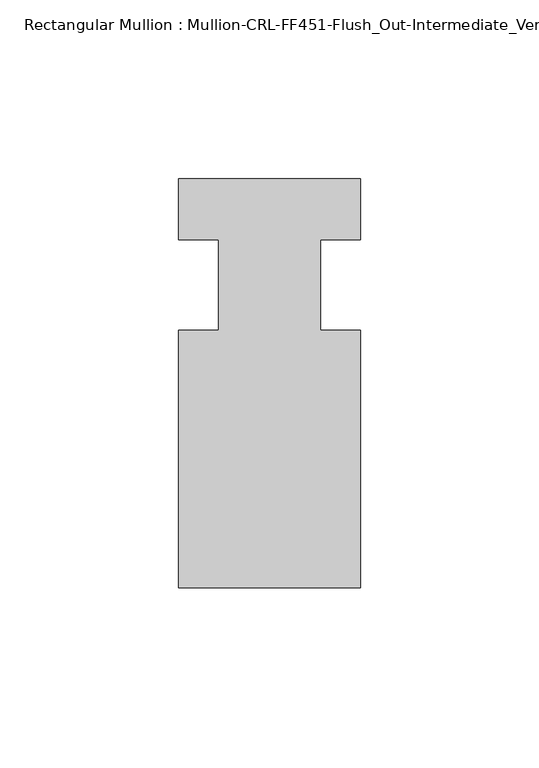
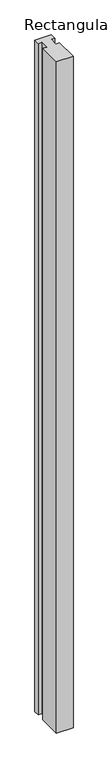
"""IFC4 building model written with IfcOpenShell, lengths in millimetres: member geometry, Rectangular Mullion : Mullion-CRL-FF451-Flush_Out-Intermediate_Vertical."""

import ifcopenshell
import ifcopenshell.guid

model = None  # the IFC model being written
_history = None  # IfcOwnerHistory: only IFC2X3 demands one
_inside = {}  # id of a spatial element -> (the spatial element, [elements in it])
_under = {}  # id of a project, library or spatial element -> (it, [spatial elements below it])
_declared = {}  # id of a project -> (the project, [libraries it declares])
_typed = {}  # id of a type object -> (the type object, [elements of that type])
_made_of = {}  # id of a material, layer set ... -> (it, [elements and type objects made of it])


def new_model(schema):
    """Start an empty IFC model of exactly this schema.

    Asked for "IFC4X3", IfcOpenShell would pick the latest addendum, in which some entities
    have other attributes; the version numbers below select the first issue.
    IFC2X3 requires an IfcOwnerHistory on every rooted entity: one is made here for all.
    """
    global model, _history
    if schema == "IFC4X3":
        model = ifcopenshell.file(schema_version=(4, 3, 0, 0))
    else:
        model = ifcopenshell.file(schema=schema)
    _inside.clear()
    _under.clear()
    _declared.clear()
    _typed.clear()
    _made_of.clear()
    _history = None
    if model.schema == "IFC2X3":
        org = make("IfcOrganization", Name="unknown")
        user = make(
            "IfcPersonAndOrganization",
            ThePerson=make("IfcPerson", FamilyName="unknown"),
            TheOrganization=org,
        )
        app = make(
            "IfcApplication",
            ApplicationDeveloper=org,
            Version="unknown",
            ApplicationFullName="unknown",
            ApplicationIdentifier="unknown",
        )
        _history = make(
            "IfcOwnerHistory",
            OwningUser=user,
            OwningApplication=app,
            ChangeAction="ADDED",
            CreationDate=0,
        )
    return model


def make(cls, **values):
    """One entity of the class cls with the attributes given. An attribute that is None is left unset."""
    return model.create_entity(
        cls, **{name: value for name, value in values.items() if value is not None}
    )


def rooted(cls, **values):
    """An entity with a GlobalId (a new one), such as an element, a storey or a relation."""
    return make(cls, GlobalId=ifcopenshell.guid.new(), OwnerHistory=_history, **values)


def si_unit(unit_type, name, prefix=None):
    """IfcSIUnit, for example si_unit("LENGTHUNIT", "METRE", prefix="MILLI")."""
    return make("IfcSIUnit", UnitType=unit_type, Prefix=prefix, Name=name)


def assignment(units):
    """IfcUnitAssignment: the units of a project."""
    return None if units is None else make("IfcUnitAssignment", Units=units)


def point(xyz):
    """IfcCartesianPoint."""
    return None if xyz is None else make("IfcCartesianPoint", Coordinates=xyz)


def direction(xyz):
    """IfcDirection."""
    return None if xyz is None else make("IfcDirection", DirectionRatios=xyz)


def frame(location, z_axis=None, x_axis=None):
    """IfcAxis2Placement3D, a coordinate frame: its origin and axes. An axis left out is left unset."""
    return make(
        "IfcAxis2Placement3D",
        Location=point(location),
        Axis=direction(z_axis),
        RefDirection=direction(x_axis),
    )


def origin():
    """The frame at (0, 0, 0) with its axes left unset."""
    return frame((0.0, 0.0, 0.0))


def place(relative_to, where):
    """IfcLocalPlacement: puts the frame where relative to a parent placement (None: the world)."""
    return make(
        "IfcLocalPlacement", PlacementRelTo=relative_to, RelativePlacement=where
    )


def context(
    kind, dimensions, precision=None, world=None, true_north=None, identifier=None
):
    """IfcGeometricRepresentationContext, for example the 3D "Model" context."""
    return make(
        "IfcGeometricRepresentationContext",
        ContextIdentifier=identifier,
        ContextType=kind,
        CoordinateSpaceDimension=dimensions,
        Precision=precision,
        WorldCoordinateSystem=world,
        TrueNorth=true_north,
    )


def project(units=None, contexts=None):
    """IfcProject with its units and contexts."""
    return rooted(
        "IfcProject",
        Name="project",
        RepresentationContexts=contexts,
        UnitsInContext=assignment(units),
    )


def spatial(cls, under=None, at=None, **own):
    """A site, building, storey or space (cls), placed at a placement, below another one or the project."""
    s = rooted(cls, ObjectPlacement=at, **own)
    if under is not None:
        _under.setdefault(under.id(), (under, []))[1].append(s)
    return s


def polyline(points):
    """IfcPolyline through the points."""
    return make("IfcPolyline", Points=[point(p) for p in points])


def outline(outer, holes=None, kind="AREA"):
    """IfcArbitraryClosedProfileDef: a profile drawn as a closed curve; with holes, ...WithVoids."""
    if holes is None:
        return make("IfcArbitraryClosedProfileDef", ProfileType=kind, OuterCurve=outer)
    return make(
        "IfcArbitraryProfileDefWithVoids",
        ProfileType=kind,
        OuterCurve=outer,
        InnerCurves=holes,
    )


def extrude(swept, where, along, depth):
    """IfcExtrudedAreaSolid: the profile swept, set in the frame where, extruded along a direction by depth."""
    return make(
        "IfcExtrudedAreaSolid",
        SweptArea=swept,
        Position=where,
        ExtrudedDirection=direction(along),
        Depth=depth,
    )


def shape(context_of_items, identifier, shape_type, items):
    """IfcShapeRepresentation: the items that make up one representation, for example the "Body"."""
    return make(
        "IfcShapeRepresentation",
        ContextOfItems=context_of_items,
        RepresentationIdentifier=identifier,
        RepresentationType=shape_type,
        Items=items,
    )


def source(mapping_origin, context_of_items, identifier, shape_type, items):
    """IfcRepresentationMap: a shape defined once, which mapped items show again and again."""
    return make(
        "IfcRepresentationMap",
        MappingOrigin=mapping_origin,
        MappedRepresentation=shape(context_of_items, identifier, shape_type, items),
    )


def transform(
    local_origin,
    x_axis=None,
    y_axis=None,
    z_axis=None,
    scale=None,
    scale2=None,
    scale3=None,
    uniform=True,
):
    """IfcCartesianTransformationOperator3D, or its non-uniform kind. x_axis, y_axis, z_axis: its Axis1, 2, 3."""
    if uniform:
        return make(
            "IfcCartesianTransformationOperator3D",
            Axis1=direction(x_axis),
            Axis2=direction(y_axis),
            LocalOrigin=point(local_origin),
            Scale=scale,
            Axis3=direction(z_axis),
        )
    return make(
        "IfcCartesianTransformationOperator3DnonUniform",
        Axis1=direction(x_axis),
        Axis2=direction(y_axis),
        LocalOrigin=point(local_origin),
        Scale=scale,
        Axis3=direction(z_axis),
        Scale2=scale2,
        Scale3=scale3,
    )


def mapped(mapping_source, mapping_target):
    """IfcMappedItem: shows the shape of a source again, moved by a transform."""
    return make(
        "IfcMappedItem", MappingSource=mapping_source, MappingTarget=mapping_target
    )


def made_of(thing, what):
    """Note that an element or type object is made of a material, layer set ...; save() writes the relation."""
    if what is not None:
        _made_of.setdefault(what.id(), (what, []))[1].append(thing)
    return thing


def element(
    cls,
    number,
    at=None,
    inside=None,
    cuts=None,
    type_object=None,
    material=None,
    context=None,
    identifier="Body",
    shape_type=None,
    held_by="IfcProductDefinitionShape",
    body=None,
    shapes=None,
    **own,
):
    """One element of the class cls, such as IfcWall. Its Tag is "e" and its number.

    at: its placement. inside: the storey or other place that contains it. cuts: it is an
    opening in that element (IfcRelVoidsElement). A single representation is given by context,
    identifier, shape_type and body (its items); several are given by shapes. held_by: the class
    of the entity that holds the representations. save() writes the other relations.
    """
    e = rooted(cls, Tag="e%d" % number, ObjectPlacement=at, **own)
    if body is not None:
        shapes = [shape(context, identifier, shape_type, body)]
    if shapes is not None:
        e.Representation = make(held_by, Representations=shapes)
    if inside is not None:
        _inside.setdefault(inside.id(), (inside, []))[1].append(e)
    if cuts is not None:
        rooted(
            "IfcRelVoidsElement", RelatingBuildingElement=cuts, RelatedOpeningElement=e
        )
    if type_object is not None:
        _typed.setdefault(type_object.id(), (type_object, []))[1].append(e)
    return made_of(e, material)


def aggregate(whole, parts):
    """IfcRelAggregates: a whole, such as a stair, and the parts it consists of."""
    return rooted("IfcRelAggregates", RelatingObject=whole, RelatedObjects=parts)


def save(model, path):
    """Write the relations noted so far, then the file.

    IfcRelAggregates (storeys below a building ...), IfcRelContainedInSpatialStructure (elements
    in a storey), IfcRelDefinesByType, IfcRelAssociatesMaterial and IfcRelDeclares: one each for
    every whole, place, type object, material and project.
    """
    for whole, parts in _under.values():
        aggregate(whole, parts)
    for where, things in _inside.values():
        rooted(
            "IfcRelContainedInSpatialStructure",
            RelatedElements=things,
            RelatingStructure=where,
        )
    for kind, things in _typed.values():
        rooted("IfcRelDefinesByType", RelatedObjects=things, RelatingType=kind)
    for what, things in _made_of.values():
        rooted("IfcRelAssociatesMaterial", RelatedObjects=things, RelatingMaterial=what)
    for by, libraries in _declared.values():
        rooted("IfcRelDeclares", RelatingContext=by, RelatedDefinitions=libraries)
    model.write(path)


def rectangular_mullion_mullion_crl_ff451_flush_out_intermediate_3f9f8810(model_context):
    return source(origin(), model_context, "Body", "SweptSolid", [
        extrude(outline(polyline([(25.4, -12.7), (25.4, -84.6364193), (-25.4, -84.6364193), (-25.4, -12.7), (-14.2875, -12.7), (-14.2875, 12.7), (-25.4, 12.7), (-25.4, 29.6635807), (25.4, 29.6635807), (25.4, 12.7), (14.2875, 12.7), (14.2875, -12.7), (25.4, -12.7)])), frame((0.0, 0.0, -2174.875), z_axis=(0.0, 0.0, 1.0), x_axis=(1.0, 0.0, 0.0)), (0.0, 0.0, 1.0), 2174.875),
    ])


if __name__ == "__main__":
    model = new_model("IFC4")
    model_context = context("Model", 3, world=origin())
    ifc_project = project(units=[si_unit("LENGTHUNIT", "METRE", prefix="MILLI")], contexts=[model_context])
    site = spatial("IfcSite", under=ifc_project)
    building = spatial("IfcBuilding", under=site)
    placement = place(None, origin())
    rectangular_mullion_mullion_crl_ff451_flush_out_intermediate_shape = rectangular_mullion_mullion_crl_ff451_flush_out_intermediate_3f9f8810(model_context)
    element("IfcMember", 1, ObjectType="Rectangular Mullion : Mullion-CRL-FF451-Flush_Out-Intermediate_Vertical", at=placement, inside=building, context=model_context, shape_type="MappedRepresentation", body=[
        mapped(rectangular_mullion_mullion_crl_ff451_flush_out_intermediate_shape, transform((0.0, 0.0, 0.0), x_axis=(1.0, 0.0, 0.0), y_axis=(0.0, 1.0, 0.0), z_axis=(0.0, 0.0, 1.0))),
    ])
    save(model, "model.ifc")
